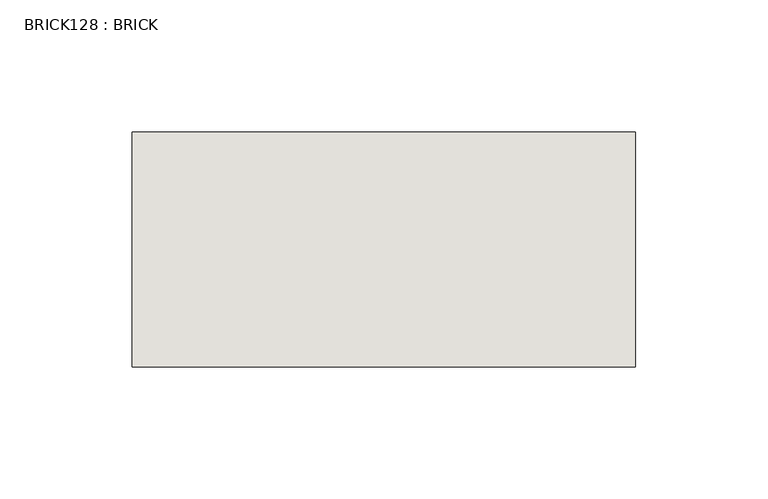
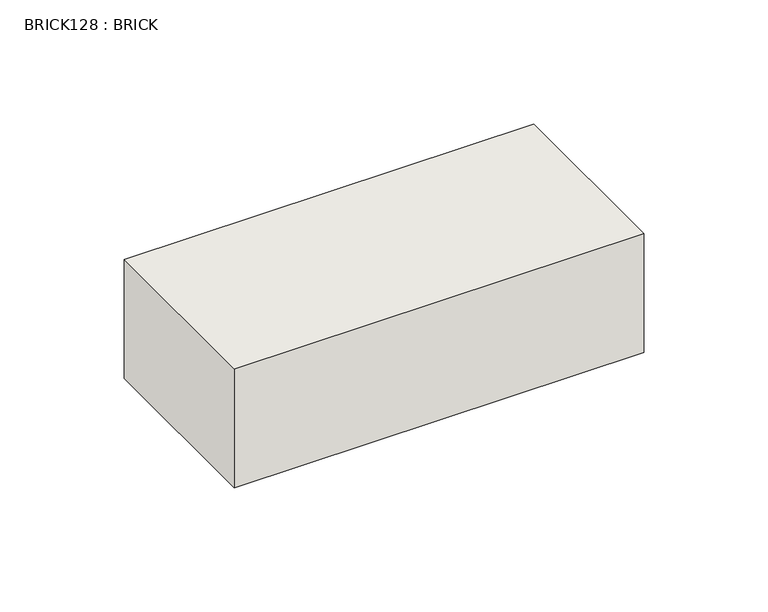
"""IFC4 building model written with IfcOpenShell, lengths in millimetres: wall geometry, BRICK128 : BRICK."""

from ifc_helpers import new_model, si_unit, frame, origin, place, context, project, spatial, polyline, outline, extrude, source, transform, mapped, element, save


def brick128_brick_a492720a(model_context):
    return source(origin(), model_context, "Body", "SweptSolid", [
        extrude(outline(polyline([(528.9272594, 2586.2274125), (719.4272594, 2586.2274125), (719.4272594, 2497.3274125), (528.9272594, 2497.3274125), (528.9272594, 2586.2274125)])), frame((0.0, 0.0, 423.2671875), z_axis=(0.0, 0.0, 1.0), x_axis=(1.0, 0.0, 0.0)), (0.0, 0.0, 1.0), 58.4398437),
    ])


if __name__ == "__main__":
    model = new_model("IFC4")
    model_context = context("Model", 3, world=origin())
    ifc_project = project(units=[si_unit("LENGTHUNIT", "METRE", prefix="MILLI")], contexts=[model_context])
    site = spatial("IfcSite", under=ifc_project)
    building = spatial("IfcBuilding", under=site)
    placement = place(None, origin())
    brick128_brick_shape = brick128_brick_a492720a(model_context)
    element("IfcWall", 1, ObjectType="BRICK128 : BRICK", at=placement, inside=building, context=model_context, shape_type="MappedRepresentation", body=[
        mapped(brick128_brick_shape, transform((0.0, 0.0, 0.0), x_axis=(1.0, 0.0, 0.0), y_axis=(0.0, 1.0, 0.0), z_axis=(0.0, 0.0, 1.0))),
    ])
    save(model, "model.ifc")
